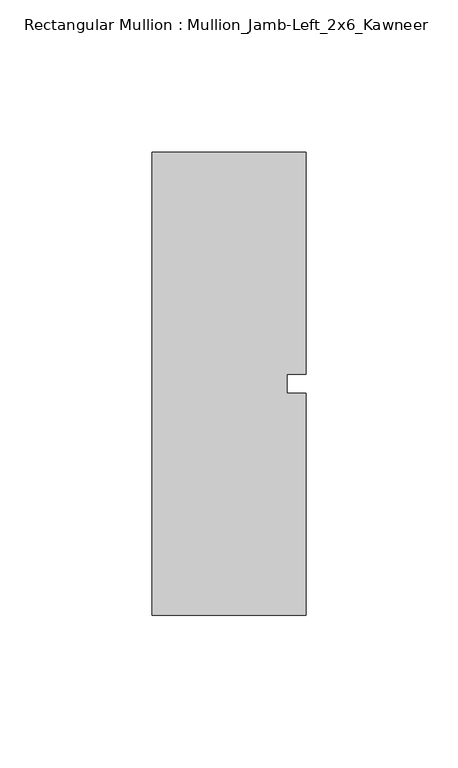
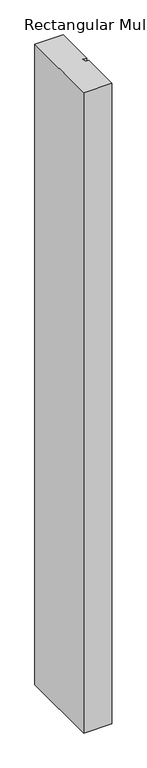
"""IFC4 building model written with IfcOpenShell, lengths in millimetres: member geometry, Rectangular Mullion : Mullion_Jamb-Left_2x6_Kawneer."""

from ifc_helpers import new_model, si_unit, frame, origin, place, context, project, spatial, polyline, outline, extrude, source, transform, mapped, element, save


def rectangular_mullion_mullion_jamb_left_2x6_kawneer_b2a9db80(model_context):
    return source(origin(), model_context, "Body", "SweptSolid", [
        extrude(outline(polyline([(25.4, 76.2), (25.4, 3.175), (19.05, 3.175), (19.05, -3.175), (25.4, -3.175), (25.4, -76.2), (-25.4, -76.2), (-25.4, 76.2), (25.4, 76.2)])), frame((0.0, 0.0, -1219.2), z_axis=(0.0, 0.0, 1.0), x_axis=(1.0, 0.0, 0.0)), (0.0, 0.0, 1.0), 1219.2),
    ])


if __name__ == "__main__":
    model = new_model("IFC4")
    model_context = context("Model", 3, world=origin())
    ifc_project = project(units=[si_unit("LENGTHUNIT", "METRE", prefix="MILLI")], contexts=[model_context])
    site = spatial("IfcSite", under=ifc_project)
    building = spatial("IfcBuilding", under=site)
    placement = place(None, origin())
    rectangular_mullion_mullion_jamb_left_2x6_kawneer_shape = rectangular_mullion_mullion_jamb_left_2x6_kawneer_b2a9db80(model_context)
    element("IfcMember", 1, ObjectType="Rectangular Mullion : Mullion_Jamb-Left_2x6_Kawneer", at=placement, inside=building, context=model_context, shape_type="MappedRepresentation", body=[
        mapped(rectangular_mullion_mullion_jamb_left_2x6_kawneer_shape, transform((0.0, 0.0, 0.0), x_axis=(1.0, 0.0, 0.0), y_axis=(0.0, 1.0, 0.0), z_axis=(0.0, 0.0, 1.0))),
    ])
    save(model, "model.ifc")
